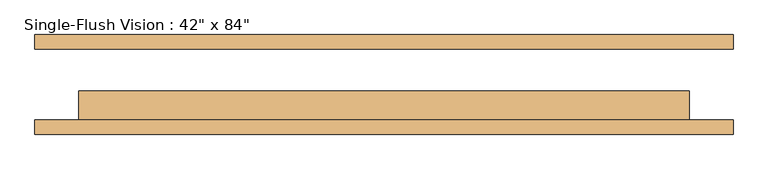
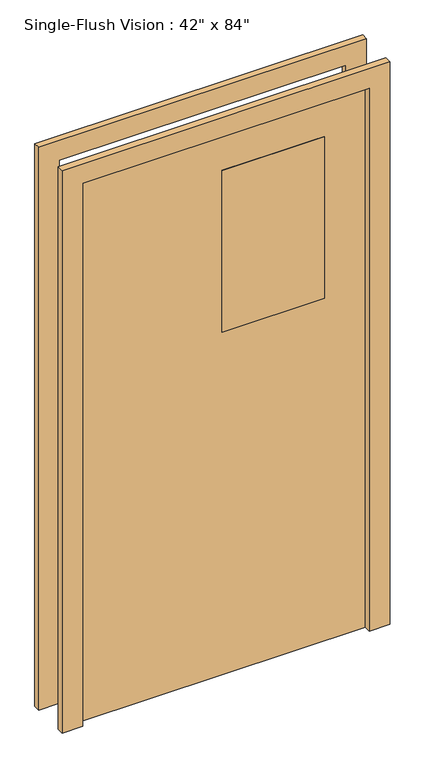
"""IFC4 building model written with IfcOpenShell, lengths in millimetres: door geometry."""

from ifc_helpers import new_model, si_unit, frame, origin, place, context, project, spatial, polyline, outline, extrude, source, transform, mapped, element, save


def door_72ff7695(model_context):
    return source(origin(), model_context, "Body", "SweptSolid", [
        extrude(outline(polyline([(381.0, -38.1), (381.0, -44.45), (0.0, -44.45), (0.0, -38.1), (381.0, -38.1)])), frame((0.0, 0.0, 1346.2), z_axis=(0.0, 0.0, 1.0), x_axis=(1.0, 0.0, 0.0)), (0.0, 0.0, 1.0), 635.0),
        extrude(outline(polyline([(381.0, -57.15), (381.0, -63.5), (0.0, -63.5), (0.0, -57.15), (381.0, -57.15)])), frame((0.0, 0.0, 1346.2), z_axis=(0.0, 0.0, 1.0), x_axis=(1.0, 0.0, 0.0)), (0.0, 0.0, 1.0), 635.0),
        extrude(outline(polyline([(2209.8, -609.6), (0.0, -609.6), (0.0, -533.4), (2133.6, -533.4), (2133.6, 533.4), (0.0, 533.4), (0.0, 609.6), (2209.8, 609.6), (2209.8, -609.6)])), frame((0.0, -87.3125, 0.0), z_axis=(0.0, 1.0, 0.0), x_axis=(0.0, 0.0, 1.0)), (0.0, 0.0, 1.0), 25.4),
        extrude(outline(polyline([(2133.6, 533.4), (0.0, 533.4), (0.0, 609.6), (2209.8, 609.6), (2209.8, -609.6), (0.0, -609.6), (0.0, -533.4), (2133.6, -533.4), (2133.6, 533.4)])), frame((0.0, 61.9125, 0.0), z_axis=(0.0, 1.0, 0.0), x_axis=(0.0, 0.0, 1.0)), (0.0, 0.0, 1.0), 25.4),
        extrude(outline(polyline([(2133.6, -533.4), (0.0, -533.4), (0.0, 533.4), (2133.6, 533.4), (2133.6, -533.4)]), holes=[polyline([(1981.2, 0.0), (1981.2, 381.0), (1346.2, 381.0), (1346.2, 0.0), (1981.2, 0.0)])]), frame((0.0, -61.9125, 0.0), z_axis=(0.0, 1.0, 0.0), x_axis=(0.0, 0.0, 1.0)), (0.0, 0.0, 1.0), 50.8),
    ])


if __name__ == "__main__":
    model = new_model("IFC4")
    model_context = context("Model", 3, world=origin())
    ifc_project = project(units=[si_unit("LENGTHUNIT", "METRE", prefix="MILLI")], contexts=[model_context])
    site = spatial("IfcSite", under=ifc_project)
    building = spatial("IfcBuilding", under=site)
    placement = place(None, origin())
    door_shape = door_72ff7695(model_context)
    element("IfcDoor", 1, ObjectType="Single-Flush Vision : 42\" x 84\"", at=placement, inside=building, context=model_context, shape_type="MappedRepresentation", body=[
        mapped(door_shape, transform((0.0, 0.0, 0.0), x_axis=(1.0, 0.0, 0.0), y_axis=(0.0, 1.0, 0.0), z_axis=(0.0, 0.0, 1.0))),
    ])
    save(model, "model.ifc")
